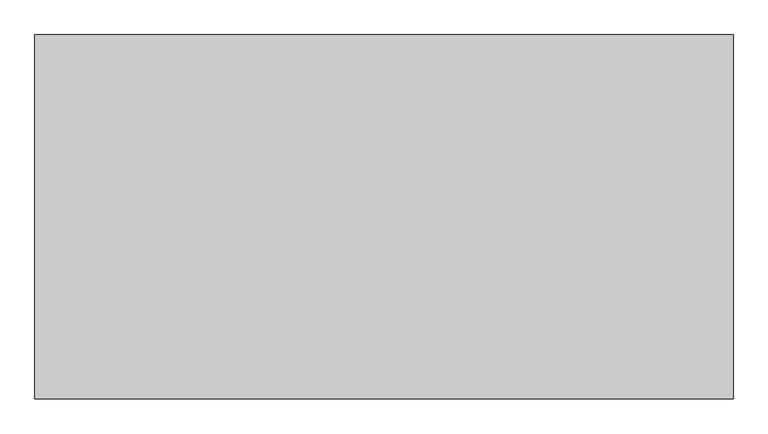
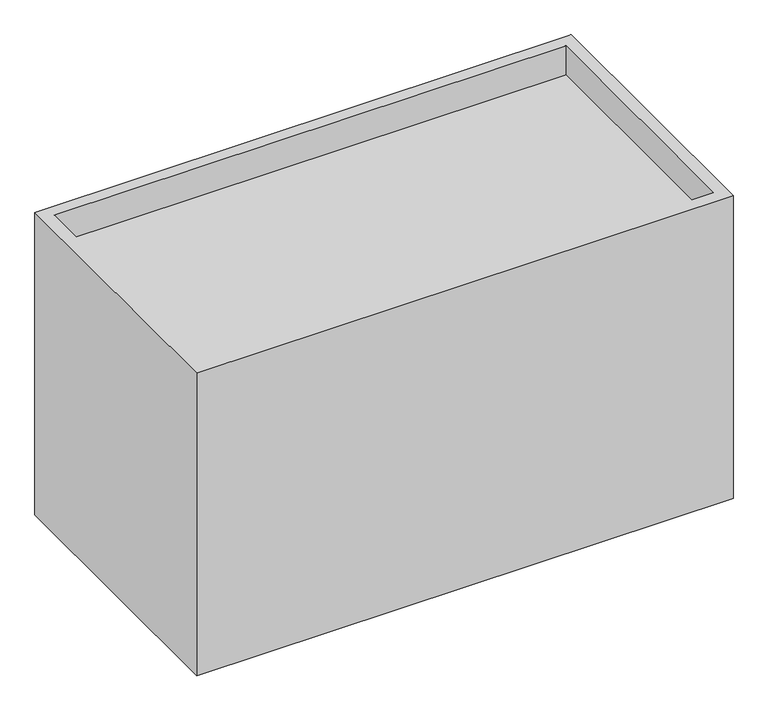
"""IFC4 building model written with IfcOpenShell, lengths in millimetres: geographic element geometry."""

from ifc_helpers import new_model, si_unit, origin, place, context, project, spatial, triangles, source, transform, mapped, element, save


def geographic_element_b6fef07a(model_context):
    return source(origin(), model_context, "Body", "Tessellation", [
        triangles([(14348.2858246, 7492.603125, 0.0), (0.0, 0.0, 0.0), (0.0, 7492.603125, 0.0), (14348.2858246, 0.0, 0.0), (14348.2858246, 0.0, 8565.9567947), (14348.2858246, 7492.603125, 8565.9567947), (326.136016, 7172.5633575, 7742.9971436), (326.136016, 320.0399855, 8565.9567947), (326.136016, 320.0399855, 7742.9971436), (326.136016, 7172.5633575, 8565.9567947), (0.0, 0.0, 8565.9567947), (0.0, 7492.603125, 8565.9567947), (14022.1499176, 320.0399855, 8565.9567947), (14022.1499176, 7172.5633575, 8565.9567947), (14022.1499176, 320.0399855, 7742.9971436), (14022.1499176, 7172.5633575, 7742.9971436)], [[1, 2, 3], [2, 1, 4], [1, 5, 4], [5, 1, 6], [7, 8, 9], [8, 7, 10], [11, 8, 12], [8, 11, 5], [8, 5, 13], [13, 5, 14], [12, 10, 6], [10, 12, 8], [6, 10, 14], [6, 14, 5], [8, 15, 9], [15, 8, 13], [15, 7, 9], [7, 15, 16], [14, 7, 16], [7, 14, 10], [14, 15, 13], [15, 14, 16], [5, 2, 4], [2, 5, 11], [12, 2, 11], [2, 12, 3], [12, 1, 3], [1, 12, 6]]),
    ])


if __name__ == "__main__":
    model = new_model("IFC4")
    model_context = context("Model", 3, world=origin())
    ifc_project = project(units=[si_unit("LENGTHUNIT", "METRE", prefix="MILLI")], contexts=[model_context])
    site = spatial("IfcSite", under=ifc_project)
    building = spatial("IfcBuilding", under=site)
    placement = place(None, origin())
    geographic_element_shape = geographic_element_b6fef07a(model_context)
    element("IfcGeographicElement", 1, at=placement, inside=building, context=model_context, shape_type="MappedRepresentation", body=[
        mapped(geographic_element_shape, transform((0.0, 0.0, 0.0), x_axis=(1.0, 0.0, 0.0), y_axis=(0.0, 1.0, 0.0), z_axis=(0.0, 0.0, 1.0))),
    ])
    save(model, "model.ifc")
